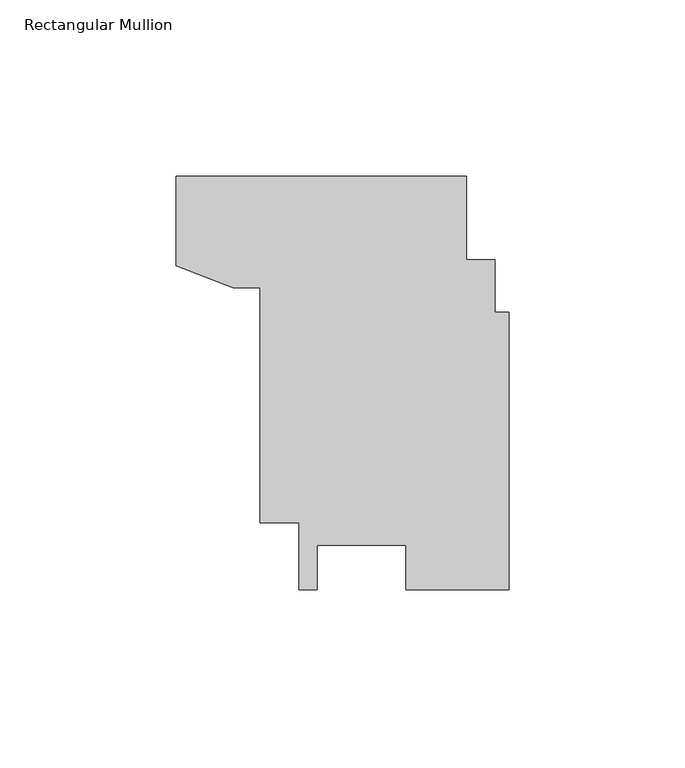
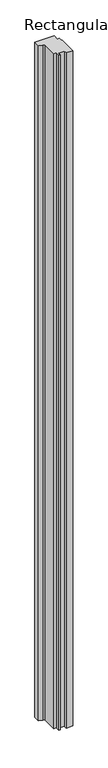
"""IFC4 building model written with IfcOpenShell, lengths in millimetres: member geometry, Rectangular Mullion."""

import ifcopenshell
import ifcopenshell.guid

model = None  # the IFC model being written
_history = None  # IfcOwnerHistory: only IFC2X3 demands one
_inside = {}  # id of a spatial element -> (the spatial element, [elements in it])
_under = {}  # id of a project, library or spatial element -> (it, [spatial elements below it])
_declared = {}  # id of a project -> (the project, [libraries it declares])
_typed = {}  # id of a type object -> (the type object, [elements of that type])
_made_of = {}  # id of a material, layer set ... -> (it, [elements and type objects made of it])


def new_model(schema):
    """Start an empty IFC model of exactly this schema.

    Asked for "IFC4X3", IfcOpenShell would pick the latest addendum, in which some entities
    have other attributes; the version numbers below select the first issue.
    IFC2X3 requires an IfcOwnerHistory on every rooted entity: one is made here for all.
    """
    global model, _history
    if schema == "IFC4X3":
        model = ifcopenshell.file(schema_version=(4, 3, 0, 0))
    else:
        model = ifcopenshell.file(schema=schema)
    _inside.clear()
    _under.clear()
    _declared.clear()
    _typed.clear()
    _made_of.clear()
    _history = None
    if model.schema == "IFC2X3":
        org = make("IfcOrganization", Name="unknown")
        user = make(
            "IfcPersonAndOrganization",
            ThePerson=make("IfcPerson", FamilyName="unknown"),
            TheOrganization=org,
        )
        app = make(
            "IfcApplication",
            ApplicationDeveloper=org,
            Version="unknown",
            ApplicationFullName="unknown",
            ApplicationIdentifier="unknown",
        )
        _history = make(
            "IfcOwnerHistory",
            OwningUser=user,
            OwningApplication=app,
            ChangeAction="ADDED",
            CreationDate=0,
        )
    return model


def make(cls, **values):
    """One entity of the class cls with the attributes given. An attribute that is None is left unset."""
    return model.create_entity(
        cls, **{name: value for name, value in values.items() if value is not None}
    )


def rooted(cls, **values):
    """An entity with a GlobalId (a new one), such as an element, a storey or a relation."""
    return make(cls, GlobalId=ifcopenshell.guid.new(), OwnerHistory=_history, **values)


def si_unit(unit_type, name, prefix=None):
    """IfcSIUnit, for example si_unit("LENGTHUNIT", "METRE", prefix="MILLI")."""
    return make("IfcSIUnit", UnitType=unit_type, Prefix=prefix, Name=name)


def assignment(units):
    """IfcUnitAssignment: the units of a project."""
    return None if units is None else make("IfcUnitAssignment", Units=units)


def point(xyz):
    """IfcCartesianPoint."""
    return None if xyz is None else make("IfcCartesianPoint", Coordinates=xyz)


def direction(xyz):
    """IfcDirection."""
    return None if xyz is None else make("IfcDirection", DirectionRatios=xyz)


def frame(location, z_axis=None, x_axis=None):
    """IfcAxis2Placement3D, a coordinate frame: its origin and axes. An axis left out is left unset."""
    return make(
        "IfcAxis2Placement3D",
        Location=point(location),
        Axis=direction(z_axis),
        RefDirection=direction(x_axis),
    )


def origin():
    """The frame at (0, 0, 0) with its axes left unset."""
    return frame((0.0, 0.0, 0.0))


def place(relative_to, where):
    """IfcLocalPlacement: puts the frame where relative to a parent placement (None: the world)."""
    return make(
        "IfcLocalPlacement", PlacementRelTo=relative_to, RelativePlacement=where
    )


def context(
    kind, dimensions, precision=None, world=None, true_north=None, identifier=None
):
    """IfcGeometricRepresentationContext, for example the 3D "Model" context."""
    return make(
        "IfcGeometricRepresentationContext",
        ContextIdentifier=identifier,
        ContextType=kind,
        CoordinateSpaceDimension=dimensions,
        Precision=precision,
        WorldCoordinateSystem=world,
        TrueNorth=true_north,
    )


def project(units=None, contexts=None):
    """IfcProject with its units and contexts."""
    return rooted(
        "IfcProject",
        Name="project",
        RepresentationContexts=contexts,
        UnitsInContext=assignment(units),
    )


def spatial(cls, under=None, at=None, **own):
    """A site, building, storey or space (cls), placed at a placement, below another one or the project."""
    s = rooted(cls, ObjectPlacement=at, **own)
    if under is not None:
        _under.setdefault(under.id(), (under, []))[1].append(s)
    return s


def polyline(points):
    """IfcPolyline through the points."""
    return make("IfcPolyline", Points=[point(p) for p in points])


def outline(outer, holes=None, kind="AREA"):
    """IfcArbitraryClosedProfileDef: a profile drawn as a closed curve; with holes, ...WithVoids."""
    if holes is None:
        return make("IfcArbitraryClosedProfileDef", ProfileType=kind, OuterCurve=outer)
    return make(
        "IfcArbitraryProfileDefWithVoids",
        ProfileType=kind,
        OuterCurve=outer,
        InnerCurves=holes,
    )


def extrude(swept, where, along, depth):
    """IfcExtrudedAreaSolid: the profile swept, set in the frame where, extruded along a direction by depth."""
    return make(
        "IfcExtrudedAreaSolid",
        SweptArea=swept,
        Position=where,
        ExtrudedDirection=direction(along),
        Depth=depth,
    )


def shape(context_of_items, identifier, shape_type, items):
    """IfcShapeRepresentation: the items that make up one representation, for example the "Body"."""
    return make(
        "IfcShapeRepresentation",
        ContextOfItems=context_of_items,
        RepresentationIdentifier=identifier,
        RepresentationType=shape_type,
        Items=items,
    )


def source(mapping_origin, context_of_items, identifier, shape_type, items):
    """IfcRepresentationMap: a shape defined once, which mapped items show again and again."""
    return make(
        "IfcRepresentationMap",
        MappingOrigin=mapping_origin,
        MappedRepresentation=shape(context_of_items, identifier, shape_type, items),
    )


def transform(
    local_origin,
    x_axis=None,
    y_axis=None,
    z_axis=None,
    scale=None,
    scale2=None,
    scale3=None,
    uniform=True,
):
    """IfcCartesianTransformationOperator3D, or its non-uniform kind. x_axis, y_axis, z_axis: its Axis1, 2, 3."""
    if uniform:
        return make(
            "IfcCartesianTransformationOperator3D",
            Axis1=direction(x_axis),
            Axis2=direction(y_axis),
            LocalOrigin=point(local_origin),
            Scale=scale,
            Axis3=direction(z_axis),
        )
    return make(
        "IfcCartesianTransformationOperator3DnonUniform",
        Axis1=direction(x_axis),
        Axis2=direction(y_axis),
        LocalOrigin=point(local_origin),
        Scale=scale,
        Axis3=direction(z_axis),
        Scale2=scale2,
        Scale3=scale3,
    )


def mapped(mapping_source, mapping_target):
    """IfcMappedItem: shows the shape of a source again, moved by a transform."""
    return make(
        "IfcMappedItem", MappingSource=mapping_source, MappingTarget=mapping_target
    )


def made_of(thing, what):
    """Note that an element or type object is made of a material, layer set ...; save() writes the relation."""
    if what is not None:
        _made_of.setdefault(what.id(), (what, []))[1].append(thing)
    return thing


def element(
    cls,
    number,
    at=None,
    inside=None,
    cuts=None,
    type_object=None,
    material=None,
    context=None,
    identifier="Body",
    shape_type=None,
    held_by="IfcProductDefinitionShape",
    body=None,
    shapes=None,
    **own,
):
    """One element of the class cls, such as IfcWall. Its Tag is "e" and its number.

    at: its placement. inside: the storey or other place that contains it. cuts: it is an
    opening in that element (IfcRelVoidsElement). A single representation is given by context,
    identifier, shape_type and body (its items); several are given by shapes. held_by: the class
    of the entity that holds the representations. save() writes the other relations.
    """
    e = rooted(cls, Tag="e%d" % number, ObjectPlacement=at, **own)
    if body is not None:
        shapes = [shape(context, identifier, shape_type, body)]
    if shapes is not None:
        e.Representation = make(held_by, Representations=shapes)
    if inside is not None:
        _inside.setdefault(inside.id(), (inside, []))[1].append(e)
    if cuts is not None:
        rooted(
            "IfcRelVoidsElement", RelatingBuildingElement=cuts, RelatedOpeningElement=e
        )
    if type_object is not None:
        _typed.setdefault(type_object.id(), (type_object, []))[1].append(e)
    return made_of(e, material)


def aggregate(whole, parts):
    """IfcRelAggregates: a whole, such as a stair, and the parts it consists of."""
    return rooted("IfcRelAggregates", RelatingObject=whole, RelatedObjects=parts)


def save(model, path):
    """Write the relations noted so far, then the file.

    IfcRelAggregates (storeys below a building ...), IfcRelContainedInSpatialStructure (elements
    in a storey), IfcRelDefinesByType, IfcRelAssociatesMaterial and IfcRelDeclares: one each for
    every whole, place, type object, material and project.
    """
    for whole, parts in _under.values():
        aggregate(whole, parts)
    for where, things in _inside.values():
        rooted(
            "IfcRelContainedInSpatialStructure",
            RelatedElements=things,
            RelatingStructure=where,
        )
    for kind, things in _typed.values():
        rooted("IfcRelDefinesByType", RelatedObjects=things, RelatingType=kind)
    for what, things in _made_of.values():
        rooted("IfcRelAssociatesMaterial", RelatedObjects=things, RelatingMaterial=what)
    for by, libraries in _declared.values():
        rooted("IfcRelDeclares", RelatingContext=by, RelatedDefinitions=libraries)
    model.write(path)


def rectangular_mullion_a21f7975(model_context):
    return source(origin(), model_context, "Body", "SweptSolid", [
        extrude(outline(polyline([(-29.3121982, -37.9220612), (-54.465596, -37.9220612), (-54.465596, -50.6235928), (-59.6728074, -50.6235928), (-59.6728074, -31.5728195), (-70.6968549, -31.5728195), (-70.6968549, 35.1002719), (-78.3907985, 35.1002719), (-94.568324, 41.4511405), (-94.568324, 66.8506122), (-12.0223304, 66.8506122), (-12.0223304, 43.0530081), (-4.0190909, 43.0530081), (-4.0190909, 28.2816319), (0.0, 28.2816319), (0.0, -50.60464), (-29.3121982, -50.60464), (-29.3121982, -37.9220612)])), frame((0.0, 0.0, -3048.0), z_axis=(0.0, 0.0, 1.0), x_axis=(1.0, 0.0, 0.0)), (0.0, 0.0, 1.0), 3048.0),
    ])


if __name__ == "__main__":
    model = new_model("IFC4")
    model_context = context("Model", 3, world=origin())
    ifc_project = project(units=[si_unit("LENGTHUNIT", "METRE", prefix="MILLI")], contexts=[model_context])
    site = spatial("IfcSite", under=ifc_project)
    building = spatial("IfcBuilding", under=site)
    placement = place(None, origin())
    rectangular_mullion_shape = rectangular_mullion_a21f7975(model_context)
    element("IfcMember", 1, ObjectType="Rectangular Mullion", at=placement, inside=building, context=model_context, shape_type="MappedRepresentation", body=[
        mapped(rectangular_mullion_shape, transform((0.0, 0.0, 0.0), x_axis=(1.0, 0.0, 0.0), y_axis=(0.0, 1.0, 0.0), z_axis=(0.0, 0.0, 1.0))),
    ])
    save(model, "model.ifc")
